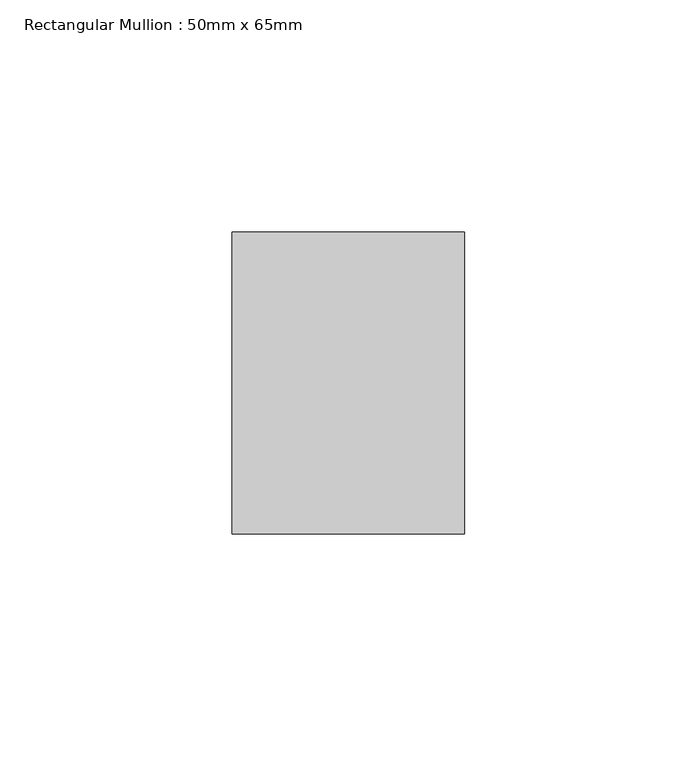
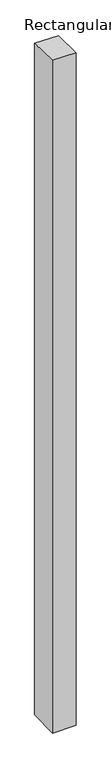
"""IFC4 building model written with IfcOpenShell, lengths in millimetres: member geometry, Rectangular Mullion : 50mm x 65mm."""

from ifc_helpers import new_model, si_unit, origin, place, context, project, spatial, faceted_brep, source, transform, mapped, element, save


def rectangular_mullion_50mm_x_65mm_a104dafa(model_context):
    return source(origin(), model_context, "Body", "Brep", [
        faceted_brep([(-25.0, 32.5, -0.7127082), (25.0, 32.5, -0.7127085), (25.0, 32.5, -1499.1016867), (-25.0, 32.5, -1499.1016871), (-25.0, -32.5, 0.7127085), (-25.0, -32.5, -1500.8976151), (25.0, -32.5, 0.7127082), (25.0, -32.5, -1500.8976147)], [[[0, 1, 2, 3]], [[4, 0, 3, 5]], [[6, 4, 5, 7]], [[1, 6, 7, 2]], [[1, 0, 4, 6]], [[2, 7, 5, 3]]]),
    ])


if __name__ == "__main__":
    model = new_model("IFC4")
    model_context = context("Model", 3, world=origin())
    ifc_project = project(units=[si_unit("LENGTHUNIT", "METRE", prefix="MILLI")], contexts=[model_context])
    site = spatial("IfcSite", under=ifc_project)
    building = spatial("IfcBuilding", under=site)
    placement = place(None, origin())
    rectangular_mullion_50mm_x_65mm_shape = rectangular_mullion_50mm_x_65mm_a104dafa(model_context)
    element("IfcMember", 1, ObjectType="Rectangular Mullion : 50mm x 65mm", at=placement, inside=building, context=model_context, shape_type="MappedRepresentation", body=[
        mapped(rectangular_mullion_50mm_x_65mm_shape, transform((0.0, 0.0, 0.0), x_axis=(1.0, 0.0, 0.0), y_axis=(0.0, 1.0, 0.0), z_axis=(0.0, 0.0, 1.0))),
    ])
    save(model, "model.ifc")
